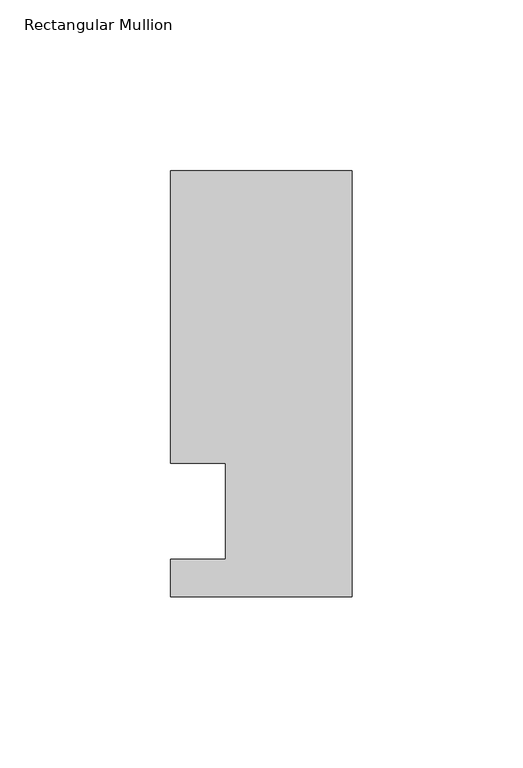
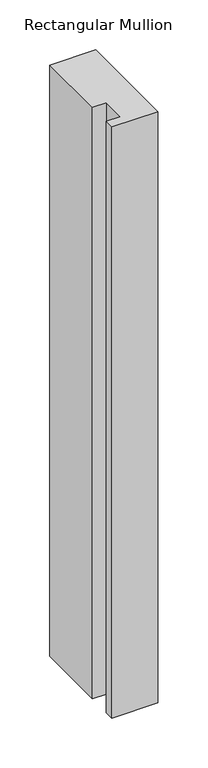
"""IFC4 building model written with IfcOpenShell, lengths in millimetres: member geometry, Rectangular Mullion."""

from ifc_helpers import new_model, si_unit, frame, origin, place, context, project, spatial, polyline, outline, extrude, source, transform, mapped, element, save


def rectangular_mullion_53c7c018(model_context):
    return source(origin(), model_context, "Body", "SweptSolid", [
        extrude(outline(polyline([(-37.0, -13.9999453), (-37.0, 14.0000547), (-53.0, 14.0000547), (-53.0, 99.5000547), (0.0, 99.5000547), (0.0, -24.9999453), (-53.0, -24.9999453), (-53.0, -13.9999453), (-37.0, -13.9999453)])), frame((0.0, 0.0, -724.000019), z_axis=(0.0, 0.0, 1.0), x_axis=(1.0, 0.0, 0.0)), (0.0, 0.0, 1.0), 724.000019),
    ])


if __name__ == "__main__":
    model = new_model("IFC4")
    model_context = context("Model", 3, world=origin())
    ifc_project = project(units=[si_unit("LENGTHUNIT", "METRE", prefix="MILLI")], contexts=[model_context])
    site = spatial("IfcSite", under=ifc_project)
    building = spatial("IfcBuilding", under=site)
    placement = place(None, origin())
    rectangular_mullion_shape = rectangular_mullion_53c7c018(model_context)
    element("IfcMember", 1, ObjectType="Rectangular Mullion", at=placement, inside=building, context=model_context, shape_type="MappedRepresentation", body=[
        mapped(rectangular_mullion_shape, transform((0.0, 0.0, 0.0), x_axis=(1.0, 0.0, 0.0), y_axis=(0.0, 1.0, 0.0), z_axis=(0.0, 0.0, 1.0))),
    ])
    save(model, "model.ifc")
